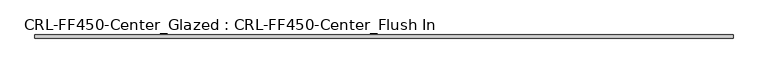
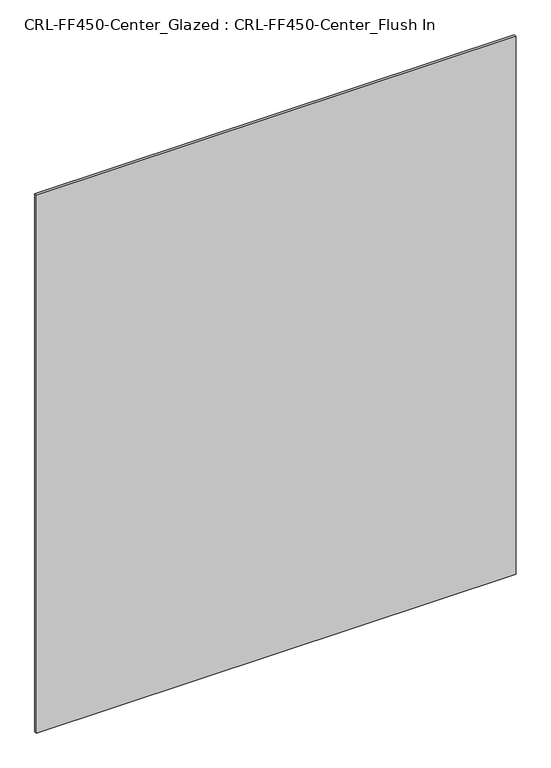
"""IFC4 building model written with IfcOpenShell, lengths in millimetres: plate geometry, CRL-FF450-Center_Glazed : CRL-FF450-Center_Flush In."""

from ifc_helpers import new_model, si_unit, origin, origin_with_axes, place, context, project, spatial, polyline, outline, extrude, source, transform, mapped, element, save


def crl_ff450_center_glazed_crl_ff450_center_flush_in_6694f44e(model_context):
    return source(origin(), model_context, "Body", "SweptSolid", [
        extrude(outline(polyline([(623.8874901, 3.1749999), (623.8874901, -3.1749999), (-623.8874901, -3.1749999), (-623.8874901, 3.1749999), (623.8874901, 3.1749999)])), origin_with_axes(), (0.0, 0.0, 1.0), 1477.9624801),
    ])


if __name__ == "__main__":
    model = new_model("IFC4")
    model_context = context("Model", 3, world=origin())
    ifc_project = project(units=[si_unit("LENGTHUNIT", "METRE", prefix="MILLI")], contexts=[model_context])
    site = spatial("IfcSite", under=ifc_project)
    building = spatial("IfcBuilding", under=site)
    placement = place(None, origin())
    crl_ff450_center_glazed_crl_ff450_center_flush_in_shape = crl_ff450_center_glazed_crl_ff450_center_flush_in_6694f44e(model_context)
    element("IfcPlate", 1, ObjectType="CRL-FF450-Center_Glazed : CRL-FF450-Center_Flush In", at=placement, inside=building, context=model_context, shape_type="MappedRepresentation", body=[
        mapped(crl_ff450_center_glazed_crl_ff450_center_flush_in_shape, transform((0.0, 0.0, 0.0), x_axis=(1.0, 0.0, 0.0), y_axis=(0.0, 1.0, 0.0), z_axis=(0.0, 0.0, 1.0))),
    ])
    save(model, "model.ifc")
